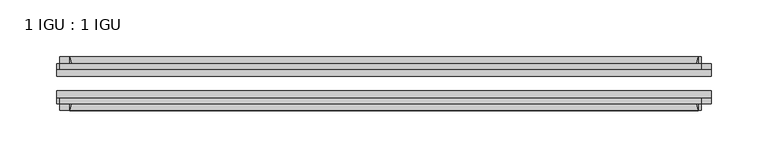
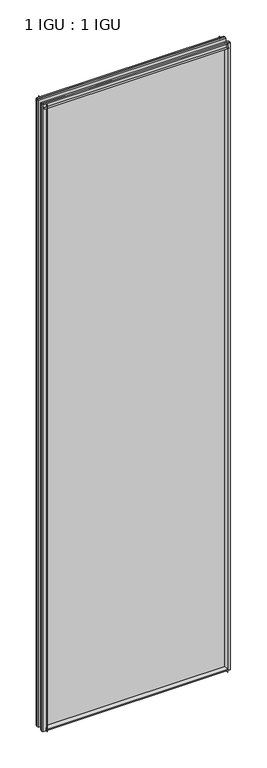
"""IFC4 building model written with IfcOpenShell, lengths in millimetres: plate geometry, 1 IGU : 1 IGU."""

from ifc_helpers import new_model, si_unit, point, frame, frame_2d, origin, place, context, project, spatial, polyline, circle_curve, trimmed, segment, composite_curve, outline, extrude, source, transform, mapped, element, save


def plate_1_igu_1_igu_137d7d8e(model_context):
    return source(origin(), model_context, "Body", "SweptSolid", [
        extrude(outline(composite_curve([segment(polyline([(-74.6252, -8.73125), (-74.6252, -0.0097454), (-80.6504332, -0.0097454)]), True, "CONTINUOUS"), segment(trimmed(circle_curve(frame_2d((-86.2258203, 32.2797688)), 32.7673262), [point((-80.6504332, -0.0097454))], [point((-69.85, 3.8979053))], True, "CARTESIAN"), True, "CONTINUOUS"), segment(polyline([(-69.85, 3.8979053), (-69.85, -8.73125), (-74.6252, -8.73125)]), True, "CONTINUOUS")], self_intersect=False)), frame((-276.2246031, 0.0, 0.0), z_axis=(1.0, 0.0, 0.0), x_axis=(0.0, 1.0, 0.0)), (0.0, 0.0, 1.0), 552.4492063),
        extrude(outline(composite_curve([segment(polyline([(-39.6748, -8.73125), (-44.45, -8.73125), (-44.45, 3.8979053)]), True, "CONTINUOUS"), segment(trimmed(circle_curve(frame_2d((-28.0741797, 32.2797688)), 32.7673262), [point((-44.45, 3.8979053))], [point((-33.6495668, -0.0097454))], True, "CARTESIAN"), True, "CONTINUOUS"), segment(polyline([(-33.6495668, -0.0097454), (-39.6748, -0.0097454), (-39.6748, -8.73125)]), True, "CONTINUOUS")], self_intersect=False)), frame((-276.2246031, 0.0, 0.0), z_axis=(1.0, 0.0, 0.0), x_axis=(0.0, 1.0, 0.0)), (0.0, 0.0, 1.0), 552.4492063),
        extrude(outline(composite_curve([segment(polyline([(-80.5942, 2008.98125), (-74.6252, 2008.98125), (-74.6252, 2020.09375), (-69.85, 2020.09375), (-69.85, 2005.0833595)]), True, "CONTINUOUS"), segment(trimmed(circle_curve(frame_2d((-86.2258203, 1976.701496)), 32.7673262), [point((-69.85, 2005.0833595))], [point((-80.5942, 2008.98125))], True, "CARTESIAN"), True, "CONTINUOUS")], self_intersect=False)), frame((-284.7373418, 0.0, 0.0), z_axis=(1.0, 0.0, 0.0), x_axis=(0.0, 1.0, 0.0)), (0.0, 0.0, 1.0), 563.5079064),
        extrude(outline(composite_curve([segment(polyline([(-39.6748, 2020.09375), (-39.6748, 2008.98125), (-33.7058, 2008.98125)]), True, "CONTINUOUS"), segment(trimmed(circle_curve(frame_2d((-28.0741797, 1976.701496)), 32.7673262), [point((-33.7058, 2008.98125))], [point((-44.45, 2005.0833595))], True, "CARTESIAN"), True, "CONTINUOUS"), segment(polyline([(-44.45, 2005.0833595), (-44.45, 2020.09375), (-39.6748, 2020.09375)]), True, "CONTINUOUS")], self_intersect=False)), frame((-284.7373418, 0.0, 0.0), z_axis=(1.0, 0.0, 0.0), x_axis=(0.0, 1.0, 0.0)), (0.0, 0.0, 1.0), 563.5079064),
        extrude(outline(composite_curve([segment(polyline([(287.3371031, -39.6748), (287.3371031, -44.45), (272.3267126, -44.45)]), True, "CONTINUOUS"), segment(trimmed(circle_curve(frame_2d((243.9448492, -28.0741797)), 32.7673262), [point((272.3267126, -44.45))], [point((276.2246031, -33.7058))], True, "CARTESIAN"), True, "CONTINUOUS"), segment(polyline([(276.2246031, -33.7058), (276.2246031, -39.6748), (287.3371031, -39.6748)]), True, "CONTINUOUS")], self_intersect=False)), frame((0.0, 0.0, -8.73125), z_axis=(0.0, 0.0, 1.0), x_axis=(1.0, 0.0, 0.0)), (0.0, 0.0, 1.0), 2028.825),
        extrude(outline(composite_curve([segment(polyline([(287.3371031, -69.85), (287.3371031, -74.6252), (276.2246031, -74.6252), (276.2246031, -80.5942)]), True, "CONTINUOUS"), segment(trimmed(circle_curve(frame_2d((243.9448492, -86.2258203)), 32.7673262), [point((276.2246031, -80.5942))], [point((272.3267126, -69.85))], True, "CARTESIAN"), True, "CONTINUOUS"), segment(polyline([(272.3267126, -69.85), (287.3371031, -69.85)]), True, "CONTINUOUS")], self_intersect=False)), frame((0.0, 0.0, -8.73125), z_axis=(0.0, 0.0, 1.0), x_axis=(1.0, 0.0, 0.0)), (0.0, 0.0, 1.0), 2028.825),
        extrude(outline(composite_curve([segment(polyline([(-287.3371031, -39.6748), (-276.2246031, -39.6748), (-276.2246031, -33.7058)]), True, "CONTINUOUS"), segment(trimmed(circle_curve(frame_2d((-243.9448492, -28.0741797)), 32.7673262), [point((-276.2246031, -33.7058))], [point((-272.3267126, -44.45))], True, "CARTESIAN"), True, "CONTINUOUS"), segment(polyline([(-272.3267126, -44.45), (-287.3371031, -44.45), (-287.3371031, -39.6748)]), True, "CONTINUOUS")], self_intersect=False)), frame((0.0, 0.0, -8.73125), z_axis=(0.0, 0.0, 1.0), x_axis=(1.0, 0.0, 0.0)), (0.0, 0.0, 1.0), 2028.825),
        extrude(outline(composite_curve([segment(polyline([(-287.3371031, -74.6252), (-287.3371031, -69.85), (-272.3267126, -69.85)]), True, "CONTINUOUS"), segment(trimmed(circle_curve(frame_2d((-243.9448492, -86.2258203)), 32.7673262), [point((-272.3267126, -69.85))], [point((-276.2246031, -80.5942))], True, "CARTESIAN"), True, "CONTINUOUS"), segment(polyline([(-276.2246031, -80.5942), (-276.2246031, -74.6252), (-287.3371031, -74.6252)]), True, "CONTINUOUS")], self_intersect=False)), frame((0.0, 0.0, -8.73125), z_axis=(0.0, 0.0, 1.0), x_axis=(1.0, 0.0, 0.0)), (0.0, 0.0, 1.0), 2028.825),
        extrude(outline(polyline([(-287.3371031, -69.85), (-287.3371031, -63.5508), (287.3371031, -63.5508), (287.3371031, -69.85), (-287.3371031, -69.85)])), frame((0.0, 0.0, -8.73125), z_axis=(0.0, 0.0, 1.0), x_axis=(1.0, 0.0, 0.0)), (0.0, 0.0, 1.0), 2028.825),
        extrude(outline(polyline([(287.3371031, -50.7492), (-287.3371031, -50.7492), (-287.3371031, -44.45), (287.3371031, -44.45), (287.3371031, -50.7492)])), frame((0.0, 0.0, -8.73125), z_axis=(0.0, 0.0, 1.0), x_axis=(1.0, 0.0, 0.0)), (0.0, 0.0, 1.0), 2028.825),
    ])


if __name__ == "__main__":
    model = new_model("IFC4")
    model_context = context("Model", 3, world=origin())
    ifc_project = project(units=[si_unit("LENGTHUNIT", "METRE", prefix="MILLI")], contexts=[model_context])
    site = spatial("IfcSite", under=ifc_project)
    building = spatial("IfcBuilding", under=site)
    placement = place(None, origin())
    plate_1_igu_1_igu_shape = plate_1_igu_1_igu_137d7d8e(model_context)
    element("IfcPlate", 1, ObjectType="1 IGU : 1 IGU", at=placement, inside=building, context=model_context, shape_type="MappedRepresentation", body=[
        mapped(plate_1_igu_1_igu_shape, transform((0.0, 0.0, 0.0), x_axis=(1.0, 0.0, 0.0), y_axis=(0.0, 1.0, 0.0), z_axis=(0.0, 0.0, 1.0))),
    ])
    save(model, "model.ifc")
